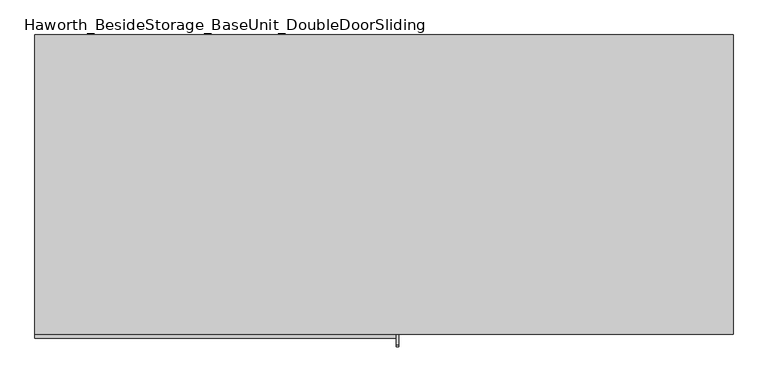
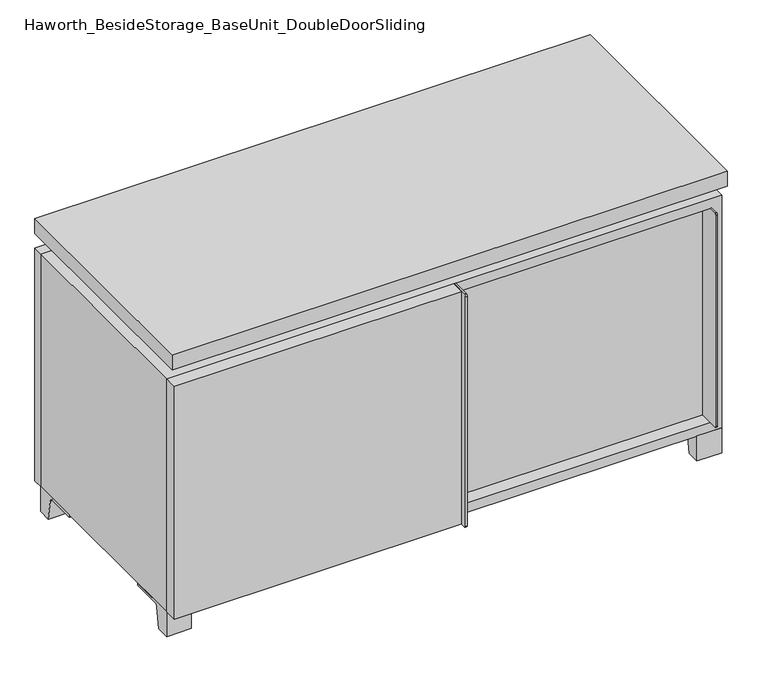
"""IFC4 building model written with IfcOpenShell, lengths in millimetres: furniture geometry, Haworth_BesideStorage_BaseUnit_DoubleDoorSliding."""

from ifc_helpers import new_model, si_unit, point, frame, frame_2d, origin, place, context, project, spatial, polyline, circle_curve, trimmed, segment, composite_curve, outline, extrude, faceted_brep, source, transform, mapped, element, save


def haworth_besidestorage_baseunit_doubledoorsliding_50a5aa98(model_context):
    return source(origin(), model_context, "Body", "SolidModel", [
        extrude(outline(polyline([(9.5319453, 241.3), (514.3569453, 241.3), (514.3569453, -92.075), (9.5319453, -92.075), (9.5319453, 241.3)])), frame((0.0, 0.0, 277.8125), z_axis=(0.0, 0.0, 1.0), x_axis=(1.0, 0.0, 0.0)), (0.0, 0.0, 1.0), 19.05),
        extrude(outline(polyline([(-9.5041641, 241.3), (-9.5041641, -92.075), (-514.3291641, -92.075), (-514.3291641, 241.3), (-9.5041641, 241.3)])), frame((0.0, 0.0, 277.8125), z_axis=(0.0, 0.0, 1.0), x_axis=(1.0, 0.0, 0.0)), (0.0, 0.0, 1.0), 19.05),
        extrude(outline(composite_curve([segment(polyline([(-95.25, 504.825), (-95.25, 69.85), (-161.925, 69.85)]), True, "CONTINUOUS"), segment(trimmed(circle_curve(frame_2d((-161.925, 73.025)), 3.175), [point((-161.925, 69.85))], [point((-165.1, 73.025))], False, "CARTESIAN"), True, "CONTINUOUS"), segment(polyline([(-165.1, 73.025), (-165.1, 501.65)]), True, "CONTINUOUS"), segment(trimmed(circle_curve(frame_2d((-161.925, 501.65)), 3.175), [point((-165.1, 501.65))], [point((-161.925, 504.825))], False, "CARTESIAN"), True, "CONTINUOUS"), segment(polyline([(-161.925, 504.825), (-95.25, 504.825)]), True, "CONTINUOUS")], self_intersect=False)), frame((511.1819453, 0.0, 0.0), z_axis=(1.0, 0.0, 0.0), x_axis=(0.0, 1.0, 0.0)), (0.0, 0.0, 1.0), 3.175),
        extrude(outline(polyline([(15.8819453, -95.25), (511.1819453, -95.25), (511.1819453, -120.65), (15.8819453, -120.65), (15.8819453, -95.25)])), frame((0.0, 0.0, 69.85), z_axis=(0.0, 0.0, 1.0), x_axis=(1.0, 0.0, 0.0)), (0.0, 0.0, 1.0), 434.975),
        extrude(outline(polyline([(533.4138906, 292.1), (533.4138906, -165.1), (-533.3861094, -165.1), (-533.3861094, 292.1), (533.4138906, 292.1)])), frame((0.0, 0.0, 554.0375), z_axis=(0.0, 0.0, 1.0), x_axis=(1.0, 0.0, 0.0)), (0.0, 0.0, 1.0), 30.1625),
        extrude(outline(composite_curve([segment(polyline([(-146.05, 523.875), (-146.05, 50.8), (-180.975, 50.8)]), True, "CONTINUOUS"), segment(trimmed(circle_curve(frame_2d((-180.975, 53.975)), 3.175), [point((-180.975, 50.8))], [point((-184.15, 53.975))], False, "CARTESIAN"), True, "CONTINUOUS"), segment(polyline([(-184.15, 53.975), (-184.15, 520.7)]), True, "CONTINUOUS"), segment(trimmed(circle_curve(frame_2d((-180.975, 520.7)), 3.175), [point((-184.15, 520.7))], [point((-180.975, 523.875))], False, "CARTESIAN"), True, "CONTINUOUS"), segment(polyline([(-180.975, 523.875), (-146.05, 523.875)]), True, "CONTINUOUS")], self_intersect=False)), frame((19.0638906, 0.0, 0.0), z_axis=(1.0, 0.0, 0.0), x_axis=(0.0, 1.0, 0.0)), (0.0, 0.0, 1.0), 3.175),
        extrude(outline(polyline([(-533.3861094, -146.05), (19.0638906, -146.05), (19.0638906, -171.45), (-533.3861094, -171.45), (-533.3861094, -146.05)])), frame((0.0, 0.0, 50.8), z_axis=(0.0, 0.0, 1.0), x_axis=(1.0, 0.0, 0.0)), (0.0, 0.0, 1.0), 473.075),
        extrude(outline(composite_curve([segment(polyline([(-120.6500136, 0.0), (-146.05, 0.0), (-146.05, 50.8), (-50.8, 50.8), (-50.8, 46.0213321), (-107.6005345, 46.0213321)]), True, "CONTINUOUS"), segment(trimmed(circle_curve(frame_2d((-107.6005345, 39.6713321)), 6.35), [point((-107.6005345, 46.0213321))], [point((-113.8641359, 40.7152656))], True, "CARTESIAN"), True, "CONTINUOUS"), segment(polyline([(-113.8641359, 40.7152656), (-120.6500136, 0.0)]), True, "CONTINUOUS")], self_intersect=False)), frame((485.7888906, 0.0, 0.0), z_axis=(1.0, 0.0, 0.0), x_axis=(0.0, 1.0, 0.0)), (0.0, 0.0, 1.0), 47.625),
        extrude(outline(composite_curve([segment(polyline([(247.6500136, 0.0), (240.8641359, 40.7152656)]), True, "CONTINUOUS"), segment(trimmed(circle_curve(frame_2d((234.6005345, 39.6713321)), 6.35), [point((240.8641359, 40.7152656))], [point((234.6005345, 46.0213321))], True, "CARTESIAN"), True, "CONTINUOUS"), segment(polyline([(234.6005345, 46.0213321), (177.8, 46.0213321), (177.8, 50.8), (273.05, 50.8), (273.05, 0.0), (247.6500136, 0.0)]), True, "CONTINUOUS")], self_intersect=False)), frame((485.7888906, 0.0, 0.0), z_axis=(1.0, 0.0, 0.0), x_axis=(0.0, 1.0, 0.0)), (0.0, 0.0, 1.0), 47.625),
        extrude(outline(composite_curve([segment(polyline([(-120.6500136, 0.0), (-146.05, 0.0), (-146.05, 50.8), (-50.8, 50.8), (-50.8, 46.0213321), (-107.6005345, 46.0213321)]), True, "CONTINUOUS"), segment(trimmed(circle_curve(frame_2d((-107.6005345, 39.6713321)), 6.35), [point((-107.6005345, 46.0213321))], [point((-113.8641359, 40.7152656))], True, "CARTESIAN"), True, "CONTINUOUS"), segment(polyline([(-113.8641359, 40.7152656), (-120.6500136, 0.0)]), True, "CONTINUOUS")], self_intersect=False)), frame((-533.3861094, 0.0, 0.0), z_axis=(1.0, 0.0, 0.0), x_axis=(0.0, 1.0, 0.0)), (0.0, 0.0, 1.0), 47.625),
        extrude(outline(composite_curve([segment(polyline([(247.6500136, 0.0), (240.8641359, 40.7152656)]), True, "CONTINUOUS"), segment(trimmed(circle_curve(frame_2d((234.6005345, 39.6713321)), 6.35), [point((240.8641359, 40.7152656))], [point((234.6005345, 46.0213321))], True, "CARTESIAN"), True, "CONTINUOUS"), segment(polyline([(234.6005345, 46.0213321), (177.8, 46.0213321), (177.8, 50.8), (273.05, 50.8), (273.05, 0.0), (247.6500136, 0.0)]), True, "CONTINUOUS")], self_intersect=False)), frame((-533.3861094, 0.0, 0.0), z_axis=(1.0, 0.0, 0.0), x_axis=(0.0, 1.0, 0.0)), (0.0, 0.0, 1.0), 47.625),
        faceted_brep([(7.9513906, -120.65, 554.0375), (7.9513906, -120.65, 523.875), (7.9513906, 53.975, 523.875), (7.9513906, 53.975, 554.0375), (7.9513906, 247.65, 523.875), (7.9513906, 247.65, 554.0375), (7.9513906, 73.025, 554.0375), (7.9513906, 73.025, 523.875), (-7.9236094, 247.65, 554.0375), (-7.9236094, 247.65, 523.875), (-7.9236094, 73.025, 523.875), (-7.9236094, 73.025, 554.0375), (-7.9236094, -120.65, 523.875), (-7.9236094, -120.65, 554.0375), (-7.9236094, 53.975, 554.0375), (-7.9236094, 53.975, 523.875), (-492.0833281, 73.025, 554.0375), (-492.1041641, 247.65, 554.0375), (-507.9791641, 247.65, 554.0375), (-507.9791641, -120.65, 554.0375), (-492.1041641, -120.65, 554.0375), (-492.1041641, 53.975, 554.0375), (492.1111094, 53.975, 554.0375), (492.1111094, -120.65, 554.0375), (507.9861094, -120.65, 554.0375), (507.9861094, 247.65, 554.0375), (492.1111094, 247.65, 554.0375), (492.1111094, 73.025, 554.0375), (-492.0833281, 53.975, 523.875), (-492.1041641, -120.65, 523.875), (-507.9791641, -120.65, 523.875), (-507.9791641, 247.65, 523.875), (-492.1041641, 247.65, 523.875), (-492.1041641, 73.025, 523.875), (492.1111094, 73.025, 523.875), (492.1111094, 247.65, 523.875), (507.9861094, 247.65, 523.875), (507.9861094, -120.65, 523.875), (492.1111094, -120.65, 523.875), (492.1111094, 53.975, 523.875)], [[[0, 1, 2, 3]], [[4, 5, 6, 7]], [[8, 9, 10, 11]], [[12, 13, 14, 15]], [[5, 8, 11, 16, 17, 18, 19, 20, 21, 14, 13, 0, 3, 22, 23, 24, 25, 26, 27, 6]], [[1, 12, 15, 28, 29, 30, 31, 32, 33, 10, 9, 4, 7, 34, 35, 36, 37, 38, 39, 2]], [[5, 4, 9, 8]], [[1, 0, 13, 12]], [[6, 27, 34, 7]], [[22, 3, 2, 39]], [[20, 29, 28, 21]], [[32, 17, 16, 33]], [[18, 31, 30, 19]], [[29, 20, 19, 30]], [[17, 32, 31, 18]], [[26, 35, 34, 27]], [[38, 23, 22, 39]], [[25, 24, 37, 36]], [[23, 38, 37, 24]], [[35, 26, 25, 36]], [[16, 11, 10, 33]], [[14, 21, 28, 15]]]),
        extrude(outline(polyline([(9.5388906, 241.3), (9.5388906, -95.25), (-9.5111094, -95.25), (-9.5111094, 241.3), (9.5388906, 241.3)])), frame((0.0, 0.0, 69.85), z_axis=(0.0, 0.0, 1.0), x_axis=(1.0, 0.0, 0.0)), (0.0, 0.0, 1.0), 434.975),
        extrude(outline(polyline([(15.8888906, -88.9), (15.8888906, -146.05), (-9.5111094, -146.05), (-9.5111094, -120.65), (3.1888906, -120.65), (3.1888906, -88.9), (15.8888906, -88.9)])), frame((0.0, 0.0, 69.85), z_axis=(0.0, 0.0, 1.0), x_axis=(1.0, 0.0, 0.0)), (0.0, 0.0, 1.0), 434.975),
        extrude(outline(polyline([(533.4138906, 273.05), (-533.3861094, 273.05), (-533.3861094, 292.1), (533.4138906, 292.1), (533.4138906, 273.05)])), frame((0.0, 0.0, 50.8), z_axis=(0.0, 0.0, 1.0), x_axis=(1.0, 0.0, 0.0)), (0.0, 0.0, 1.0), 473.075),
        extrude(outline(polyline([(50.8, -533.3861094), (50.8, 533.4), (523.875, 533.4), (523.875, -533.3861094), (50.8, -533.3861094)]), holes=[polyline([(69.85, -514.3361094), (504.825, -514.3361094), (504.825, 514.3361094), (69.85, 514.3361094), (69.85, -514.3361094)])]), frame((0.0, -146.05, 0.0), z_axis=(0.0, 1.0, 0.0), x_axis=(0.0, 0.0, 1.0)), (0.0, 0.0, 1.0), 419.1),
        extrude(outline(polyline([(-514.3291641, 241.3), (-514.3291641, 247.65), (514.3569453, 247.65), (514.3569453, 241.3), (-514.3291641, 241.3)])), frame((0.0, 0.0, 69.85), z_axis=(0.0, 0.0, 1.0), x_axis=(1.0, 0.0, 0.0)), (0.0, 0.0, 1.0), 434.975),
    ])


if __name__ == "__main__":
    model = new_model("IFC4")
    model_context = context("Model", 3, world=origin())
    ifc_project = project(units=[si_unit("LENGTHUNIT", "METRE", prefix="MILLI")], contexts=[model_context])
    site = spatial("IfcSite", under=ifc_project)
    building = spatial("IfcBuilding", under=site)
    placement = place(None, origin())
    haworth_besidestorage_baseunit_doubledoorsliding_shape = haworth_besidestorage_baseunit_doubledoorsliding_50a5aa98(model_context)
    element("IfcFurniture", 1, ObjectType="Haworth_BesideStorage_BaseUnit_DoubleDoorSliding", at=placement, inside=building, context=model_context, shape_type="MappedRepresentation", body=[
        mapped(haworth_besidestorage_baseunit_doubledoorsliding_shape, transform((0.0, 0.0, 0.0), x_axis=(1.0, 0.0, 0.0), y_axis=(0.0, 1.0, 0.0), z_axis=(0.0, 0.0, 1.0))),
    ])
    save(model, "model.ifc")
